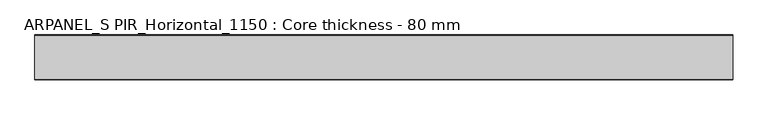
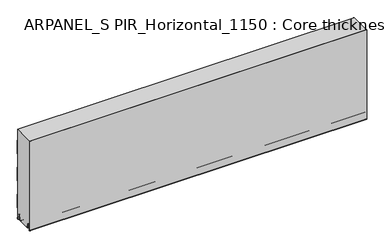
"""IFC4 building model written with IfcOpenShell, lengths in millimetres: plate geometry, ARPANEL_S PIR_Horizontal_1150 : Core thickness - 80 mm."""

from ifc_helpers import new_model, si_unit, frame, origin, place, context, project, spatial, polyline, circle_curve, source, transform, mapped, element, save
from ifc_brep_helpers import plane_surface, cylinder_surface, revolved_surface, advanced_brep


def arpanel_s_pir_horizontal_1150_core_thickness_80_mm_ac162676(model_context):
    return source(origin(), model_context, "Body", "AdvancedBrep", [
        advanced_brep(
        [(620.0, -79.9996949, 3.0900682), (620.0, -73.81449, 2.7875612), (620.0, -72.197116, 19.2828169), (620.0, -69.1776715, 21.9898782), (620.0, -66.1582271, 19.2828169), (620.0, -64.7725998, 5.1510966), (620.0, -60.3830995, 5.365779), (620.0, -61.1830995, 5.365779), (620.0, -63.9764178, 5.2291629), (620.0, -65.3620451, 19.3608832), (620.0, -69.1776715, 22.7899182), (620.0, -72.9932979, 19.3608832), (620.0, -74.6106719, 2.8656275), (620.0, -79.1996949, 3.0900682), (620.0, -79.2, 350.0), (620.0, -79.9996949, 350.0), (-620.0, -79.1996949, 3.0900682), (-620.0, -74.6106719, 2.8656275), (-620.0, -72.9932979, 19.3608832), (-620.0, -69.1776715, 22.7899182), (-620.0, -65.3620451, 19.3608832), (-620.0, -63.9764178, 5.2291629), (-620.0, -61.1830995, 5.365779), (-620.0, -60.3830995, 5.365779), (-620.0, -64.7725998, 5.1510966), (-620.0, -66.1582271, 19.2828169), (-620.0, -69.1776715, 21.9898782), (-620.0, -72.197116, 19.2828169), (-620.0, -73.81449, 2.7875612), (-620.0, -79.9996949, 3.0900682), (-620.0, -79.9996949, 350.0), (-620.0, -79.2, 350.0)],
        [
            (0, 1, circle_curve(frame((620.0, -76.8996949, 3.0900682), z_axis=(1.0, 0.0, 0.0), x_axis=(0.0, 0.0, -1.0)), 3.1)),
            (1, 2),
            (2, 3, circle_curve(frame((620.0, -69.2114338, 18.9900682), z_axis=(-1.0, 0.0, 0.0), x_axis=(0.0, 0.0, -1.0)), 3.0)),
            (3, 4, circle_curve(frame((620.0, -69.1439093, 18.9900682), z_axis=(-1.0, 0.0, 0.0), x_axis=(0.0, 0.0, -1.0)), 3.0)),
            (4, 5),
            (5, 6, circle_curve(frame((620.0, -62.5830995, 5.365779), z_axis=(1.0, 0.0, 0.0), x_axis=(0.0, 0.0, -1.0)), 2.2)),
            (6, 7),
            (7, 8, circle_curve(frame((620.0, -62.5830995, 5.365779), z_axis=(-1.0, 0.0, 0.0), x_axis=(0.0, 0.0, -1.0)), 1.4)),
            (8, 9),
            (9, 10, circle_curve(frame((620.0, -69.1439093, 18.9900682), z_axis=(1.0, 0.0, 0.0), x_axis=(0.0, 0.0, -1.0)), 3.8)),
            (10, 11, circle_curve(frame((620.0, -69.2114338, 18.9900682), z_axis=(1.0, 0.0, 0.0), x_axis=(0.0, 0.0, -1.0)), 3.8)),
            (11, 12),
            (12, 13, circle_curve(frame((620.0, -76.8996949, 3.0900682), z_axis=(-1.0, 0.0, 0.0), x_axis=(0.0, 0.0, -1.0)), 2.3)),
            (13, 14),
            (14, 15),
            (15, 0),
            (16, 17, circle_curve(frame((-620.0, -76.8996949, 3.0900682), z_axis=(1.0, 0.0, 0.0), x_axis=(0.0, 0.0, -1.0)), 2.3)),
            (17, 18),
            (18, 19, circle_curve(frame((-620.0, -69.2114338, 18.9900682), z_axis=(-1.0, 0.0, 0.0), x_axis=(0.0, 0.0, -1.0)), 3.8)),
            (19, 20, circle_curve(frame((-620.0, -69.1439093, 18.9900682), z_axis=(-1.0, 0.0, 0.0), x_axis=(0.0, 0.0, -1.0)), 3.8)),
            (20, 21),
            (21, 22, circle_curve(frame((-620.0, -62.5830995, 5.365779), z_axis=(1.0, 0.0, 0.0), x_axis=(0.0, 0.0, -1.0)), 1.4)),
            (22, 23),
            (23, 24, circle_curve(frame((-620.0, -62.5830995, 5.365779), z_axis=(-1.0, 0.0, 0.0), x_axis=(0.0, 0.0, -1.0)), 2.2)),
            (24, 25),
            (25, 26, circle_curve(frame((-620.0, -69.1439093, 18.9900682), z_axis=(1.0, 0.0, 0.0), x_axis=(0.0, 0.0, -1.0)), 3.0)),
            (26, 27, circle_curve(frame((-620.0, -69.2114338, 18.9900682), z_axis=(1.0, 0.0, 0.0), x_axis=(0.0, 0.0, -1.0)), 3.0)),
            (27, 28),
            (28, 29, circle_curve(frame((-620.0, -76.8996949, 3.0900682), z_axis=(-1.0, 0.0, 0.0), x_axis=(0.0, 0.0, -1.0)), 3.1)),
            (29, 30),
            (30, 31),
            (31, 16),
            (13, 16),
            (31, 14),
            (29, 0),
            (15, 30),
            (12, 17),
            (11, 18),
            (10, 19),
            (9, 20),
            (8, 21),
            (7, 22),
            (6, 23),
            (5, 24),
            (4, 25),
            (3, 26),
            (2, 27),
            (1, 28),
        ],
        [
            plane_surface(frame((620.0, -80.0, 0.0), z_axis=(1.0, 0.0, 0.0), x_axis=(0.0, 1.0, 0.0))),
            plane_surface(frame((-620.0, -80.0, 0.0), z_axis=(-1.0, 0.0, 0.0), x_axis=(0.0, 1.0, 0.0))),
            plane_surface(frame((620.0, -79.2, 3.0900682), z_axis=(0.0, 1.0, 0.0), x_axis=(-1.0, 0.0, 0.0))),
            plane_surface(frame((620.0, -79.9996949, 1143.9000005), z_axis=(0.0, -1.0, 0.0), x_axis=(-1.0, 0.0, 0.0))),
            revolved_surface(polyline([(-620.0, -76.8996949, 0.7900682000000003), (620.0, -76.8996949, 0.7900682000000003)]), (620.0, -76.8996949, 3.0900682), (-1.0, 0.0, 0.0)),
            plane_surface(frame((620.0, -72.9932979, 19.3608832), z_axis=(0.0, -0.9952273999818314, 0.09758289975914787), x_axis=(-1.0, 0.0, 0.0))),
            cylinder_surface(frame((620.0, -69.2114338, 18.9900682), z_axis=(1.0, 0.0, 0.0), x_axis=(0.0, 0.0, -1.0)), 3.8),
            cylinder_surface(frame((620.0, -69.1439093, 18.9900682), z_axis=(1.0, 0.0, 0.0), x_axis=(0.0, 0.0, -1.0)), 3.8),
            plane_surface(frame((620.0, -63.9764178, 5.2291629), z_axis=(0.0, 0.9952273999818297, 0.09758289975916531), x_axis=(-1.0, 0.0, 0.0))),
            revolved_surface(polyline([(-620.0, -62.5830995, 3.965779), (620.0, -62.5830995, 3.965779)]), (620.0, -62.5830995, 5.365779), (-1.0, 0.0, 0.0)),
            plane_surface(frame((620.0, -60.3830995, 5.365779), z_axis=(0.0, 0.0, 1.0), x_axis=(-1.0, 0.0, 0.0))),
            cylinder_surface(frame((620.0, -62.5830995, 5.365779), z_axis=(1.0, 0.0, 0.0), x_axis=(0.0, 0.0, -1.0)), 2.2),
            plane_surface(frame((620.0, -66.1582271, 19.2828169), z_axis=(0.0, -0.9952273999818296, -0.09758289975916527), x_axis=(-1.0, 0.0, 0.0))),
            revolved_surface(polyline([(-620.0, -69.1439093, 15.9900682), (620.0, -69.1439093, 15.9900682)]), (620.0, -69.1439093, 18.9900682), (-1.0, 0.0, 0.0)),
            revolved_surface(polyline([(-620.0, -69.2114338, 15.9900682), (620.0, -69.2114338, 15.9900682)]), (620.0, -69.2114338, 18.9900682), (-1.0, 0.0, 0.0)),
            plane_surface(frame((620.0, -73.81449, 2.7875612), z_axis=(0.0, 0.9952273999818314, -0.09758289975914787), x_axis=(-1.0, 0.0, 0.0))),
            cylinder_surface(frame((620.0, -76.8996949, 3.0900682), z_axis=(1.0, 0.0, 0.0), x_axis=(0.0, 0.0, -1.0)), 3.1),
            plane_surface(frame((-620.0, 134.0533409, 350.0), z_axis=(0.0, 0.0, 1.0), x_axis=(1.0, 0.0, 0.0))),
        ],
        [
            (0, [[1, 2, 3, 4, 5, 6, 7, 8, 9, 10, 11, 12, 13, 14, 15, 16]]),
            (1, [[17, 18, 19, 20, 21, 22, 23, 24, 25, 26, 27, 28, 29, 30, 31, 32]]),
            (2, [[33, -32, 34, -14]]),
            (3, [[35, -16, 36, -30]]),
            (4, [[-13, 37, -17, -33]]),
            (5, [[-12, 38, -18, -37]]),
            (6, [[-11, 39, -19, -38]]),
            (7, [[-10, 40, -20, -39]]),
            (8, [[-9, 41, -21, -40]]),
            (9, [[-8, 42, -22, -41]]),
            (10, [[-7, 43, -23, -42]]),
            (11, [[-6, 44, -24, -43]]),
            (12, [[-5, 45, -25, -44]]),
            (13, [[-4, 46, -26, -45]]),
            (14, [[-3, 47, -27, -46]]),
            (15, [[-2, 48, -28, -47]]),
            (16, [[-1, -35, -29, -48]]),
            (17, [[-15, -34, -31, -36]]),
        ],
    ),
        advanced_brep(
        [(620.0, -0.8, 199.9459237), (620.0, -1.0986697, 200.9973395), (620.0, -1.5003051, 202.4177205), (620.0, -1.5003051, 252.5775037), (620.0, -1.0971009, 253.9969151), (620.0, -0.8, 255.0493005), (620.0, -0.8, 305.2090837), (620.0, -1.0986697, 306.2604995), (620.0, -1.5003051, 307.6808805), (620.0, -1.5003051, 350.0), (620.0, -79.2, 350.0), (620.0, -79.2, 3.0900682), (620.0, -74.6106719, 2.8656275), (620.0, -72.9932979, 19.3608832), (620.0, -69.1776715, 22.7899182), (620.0, -65.3620451, 19.3608832), (620.0, -63.9764178, 5.2291629), (620.0, -61.1830995, 5.365779), (620.0, -60.3830995, 5.365779), (620.0, -60.6102539, 4.3921875), (620.0, -19.3897461, 4.3921875), (620.0, -19.6169005, 5.365779), (620.0, -18.8169005, 5.365779), (620.0, -16.0235822, 5.2291629), (620.0, -14.6379549, 19.3608832), (620.0, -10.8223285, 22.7899182), (620.0, -7.0067021, 19.3608832), (620.0, -5.3893281, 2.8656275), (620.0, -0.8023367, 3.1867178), (620.0, -1.0986697, 4.141484), (620.0, -1.5003051, 5.5618649), (620.0, -1.5003051, 42.0511837), (620.0, -1.0971009, 43.4705951), (620.0, -0.8, 44.5229805), (620.0, -0.8, 94.6827637), (620.0, -1.0986697, 95.7341795), (620.0, -1.5003051, 97.1545605), (620.0, -1.5003051, 147.3143437), (620.0, -1.0971009, 148.7337551), (620.0, -0.8, 149.7861405), (-620.0, -1.0986697, 200.9973395), (-620.0, -0.8, 199.9459237), (-620.0, -0.8, 149.7861405), (-620.0, -1.0986697, 148.7347246), (-620.0, -1.5003051, 147.3143437), (-620.0, -1.5003051, 97.1545605), (-620.0, -1.0971009, 95.7351491), (-620.0, -0.8, 94.6827637), (-620.0, -0.8, 44.5229805), (-620.0, -1.0986697, 43.4715646), (-620.0, -1.5003051, 42.0511837), (-620.0, -1.5003051, 5.5618649), (-620.0, -1.0971009, 4.1424535), (-620.0, -0.8023367, 3.1867178), (-620.0, -5.3893281, 2.8656275), (-620.0, -7.0067021, 19.3608832), (-620.0, -10.8223285, 22.7899182), (-620.0, -14.6379549, 19.3608832), (-620.0, -16.0235822, 5.2291629), (-620.0, -18.4553868, 4.4268721), (-620.0, -18.8169005, 5.365779), (-620.0, -19.6169005, 5.365779), (-620.0, -19.3897461, 4.3921875), (-620.0, -60.6102539, 4.3921875), (-620.0, -60.3830995, 5.365779), (-620.0, -61.1830995, 5.365779), (-620.0, -61.5446132, 4.4268721), (-620.0, -63.9764178, 5.2291629), (-620.0, -65.3620451, 19.3608832), (-620.0, -69.1776715, 22.7899182), (-620.0, -72.9932979, 19.3608832), (-620.0, -74.6106719, 2.8656275), (-620.0, -79.1996949, 3.0900682), (-620.0, -79.2, 350.0), (-620.0, -1.5003051, 350.0), (-620.0, -1.5003051, 307.6808805), (-620.0, -1.0971009, 306.2614691), (-620.0, -0.8, 305.2090837), (-620.0, -0.8, 255.0493005), (-620.0, -1.0986697, 253.9978846), (-620.0, -1.5003051, 252.5775037), (-620.0, -1.5003051, 202.4177205)],
        [
            (0, 1, circle_curve(frame((620.0, -2.8, 199.9459237), z_axis=(1.0, 0.0, 0.0), x_axis=(0.0, 0.0, -1.0)), 2.0)),
            (1, 2, circle_curve(frame((620.0, 1.1996949, 202.4177205), z_axis=(-1.0, 0.0, 0.0), x_axis=(0.0, 0.0, -1.0)), 2.7)),
            (2, 3),
            (3, 4, circle_curve(frame((620.0, 1.1996949, 252.5775037), z_axis=(-1.0, 0.0, 0.0), x_axis=(0.0, 0.0, -1.0)), 2.7)),
            (4, 5, circle_curve(frame((620.0, -2.8, 255.0493005), z_axis=(1.0, 0.0, 0.0), x_axis=(0.0, 0.0, -1.0)), 2.0)),
            (5, 6),
            (6, 7, circle_curve(frame((620.0, -2.8, 305.2090837), z_axis=(1.0, 0.0, 0.0), x_axis=(0.0, 0.0, -1.0)), 2.0)),
            (7, 8, circle_curve(frame((620.0, 1.1996949, 307.6808805), z_axis=(-1.0, 0.0, 0.0), x_axis=(0.0, 0.0, -1.0)), 2.7)),
            (8, 9),
            (9, 10),
            (10, 11),
            (11, 12, circle_curve(frame((620.0, -76.8996949, 3.0900682), z_axis=(1.0, 0.0, 0.0), x_axis=(0.0, 0.0, -1.0)), 2.3)),
            (12, 13),
            (13, 14, circle_curve(frame((620.0, -69.2114338, 18.9900682), z_axis=(-1.0, 0.0, 0.0), x_axis=(0.0, 0.0, -1.0)), 3.8)),
            (14, 15, circle_curve(frame((620.0, -69.1439093, 18.9900682), z_axis=(-1.0, 0.0, 0.0), x_axis=(0.0, 0.0, -1.0)), 3.8)),
            (15, 16),
            (16, 17, circle_curve(frame((620.0, -62.5830995, 5.365779), z_axis=(1.0, 0.0, 0.0), x_axis=(0.0, 0.0, -1.0)), 1.4)),
            (17, 18),
            (18, 19, circle_curve(frame((620.0, -62.5830995, 5.365779), z_axis=(-1.0, 0.0, 0.0), x_axis=(0.0, 0.0, -1.0)), 2.2)),
            (19, 20),
            (20, 21, circle_curve(frame((620.0, -17.4169005, 5.365779), z_axis=(-1.0, 0.0, 0.0), x_axis=(0.0, 0.0, -1.0)), 2.2)),
            (21, 22),
            (22, 23, circle_curve(frame((620.0, -17.4169005, 5.365779), z_axis=(1.0, 0.0, 0.0), x_axis=(0.0, 0.0, -1.0)), 1.4)),
            (23, 24),
            (24, 25, circle_curve(frame((620.0, -10.8560907, 18.9900682), z_axis=(-1.0, 0.0, 0.0), x_axis=(0.0, 0.0, -1.0)), 3.8)),
            (25, 26, circle_curve(frame((620.0, -10.7885662, 18.9900682), z_axis=(-1.0, 0.0, 0.0), x_axis=(0.0, 0.0, -1.0)), 3.8)),
            (26, 27),
            (27, 28, circle_curve(frame((620.0, -3.1003051, 3.0900682), z_axis=(1.0, 0.0, 0.0), x_axis=(0.0, 0.0, -1.0)), 2.3)),
            (28, 29, circle_curve(frame((620.0, -2.8, 3.0900682), z_axis=(1.0, 0.0, 0.0), x_axis=(0.0, 0.0, -1.0)), 2.0)),
            (29, 30, circle_curve(frame((620.0, 1.1996949, 5.5618649), z_axis=(-1.0, 0.0, 0.0), x_axis=(0.0, 0.0, -1.0)), 2.7)),
            (30, 31),
            (31, 32, circle_curve(frame((620.0, 1.1996949, 42.0511837), z_axis=(-1.0, 0.0, 0.0), x_axis=(0.0, 0.0, -1.0)), 2.7)),
            (32, 33, circle_curve(frame((620.0, -2.8, 44.5229805), z_axis=(1.0, 0.0, 0.0), x_axis=(0.0, 0.0, -1.0)), 2.0)),
            (33, 34),
            (34, 35, circle_curve(frame((620.0, -2.8, 94.6827637), z_axis=(1.0, 0.0, 0.0), x_axis=(0.0, 0.0, -1.0)), 2.0)),
            (35, 36, circle_curve(frame((620.0, 1.1996949, 97.1545605), z_axis=(-1.0, 0.0, 0.0), x_axis=(0.0, 0.0, -1.0)), 2.7)),
            (36, 37),
            (37, 38, circle_curve(frame((620.0, 1.1996949, 147.3143437), z_axis=(-1.0, 0.0, 0.0), x_axis=(0.0, 0.0, -1.0)), 2.7)),
            (38, 39, circle_curve(frame((620.0, -2.8, 149.7861405), z_axis=(1.0, 0.0, 0.0), x_axis=(0.0, 0.0, -1.0)), 2.0)),
            (39, 0),
            (40, 41, circle_curve(frame((-620.0, -2.8, 199.9459237), z_axis=(-1.0, 0.0, 0.0), x_axis=(0.0, 0.0, -1.0)), 2.0)),
            (41, 42),
            (42, 43, circle_curve(frame((-620.0, -2.8, 149.7861405), z_axis=(-1.0, 0.0, 0.0), x_axis=(0.0, 0.0, -1.0)), 2.0)),
            (43, 44, circle_curve(frame((-620.0, 1.1996949, 147.3143437), z_axis=(1.0, 0.0, 0.0), x_axis=(0.0, 0.0, -1.0)), 2.7)),
            (44, 45),
            (45, 46, circle_curve(frame((-620.0, 1.1996949, 97.1545605), z_axis=(1.0, 0.0, 0.0), x_axis=(0.0, 0.0, -1.0)), 2.7)),
            (46, 47, circle_curve(frame((-620.0, -2.8, 94.6827637), z_axis=(-1.0, 0.0, 0.0), x_axis=(0.0, 0.0, -1.0)), 2.0)),
            (47, 48),
            (48, 49, circle_curve(frame((-620.0, -2.8, 44.5229805), z_axis=(-1.0, 0.0, 0.0), x_axis=(0.0, 0.0, -1.0)), 2.0)),
            (49, 50, circle_curve(frame((-620.0, 1.1996949, 42.0511837), z_axis=(1.0, 0.0, 0.0), x_axis=(0.0, 0.0, -1.0)), 2.7)),
            (50, 51),
            (51, 52, circle_curve(frame((-620.0, 1.1996949, 5.5618649), z_axis=(1.0, 0.0, 0.0), x_axis=(0.0, 0.0, -1.0)), 2.7)),
            (52, 53, circle_curve(frame((-620.0, -2.8, 3.0900682), z_axis=(-1.0, 0.0, 0.0), x_axis=(0.0, 0.0, -1.0)), 2.0)),
            (53, 54, circle_curve(frame((-620.0, -3.1003051, 3.0900682), z_axis=(-1.0, 0.0, 0.0), x_axis=(0.0, 0.0, -1.0)), 2.3)),
            (54, 55),
            (55, 56, circle_curve(frame((-620.0, -10.7885662, 18.9900682), z_axis=(1.0, 0.0, 0.0), x_axis=(0.0, 0.0, -1.0)), 3.8)),
            (56, 57, circle_curve(frame((-620.0, -10.8560907, 18.9900682), z_axis=(1.0, 0.0, 0.0), x_axis=(0.0, 0.0, -1.0)), 3.8)),
            (57, 58),
            (58, 59, circle_curve(frame((-620.0, -17.4169005, 5.365779), z_axis=(-1.0, 0.0, 0.0), x_axis=(0.0, 0.0, -1.0)), 1.4)),
            (59, 60, circle_curve(frame((-620.0, -17.4169005, 5.365779), z_axis=(-1.0, 0.0, 0.0), x_axis=(0.0, 0.0, -1.0)), 1.4)),
            (60, 61),
            (61, 62, circle_curve(frame((-620.0, -17.4169005, 5.365779), z_axis=(1.0, 0.0, 0.0), x_axis=(0.0, 0.0, -1.0)), 2.2)),
            (62, 63),
            (63, 64, circle_curve(frame((-620.0, -62.5830995, 5.365779), z_axis=(1.0, 0.0, 0.0), x_axis=(0.0, 0.0, -1.0)), 2.2)),
            (64, 65),
            (65, 66, circle_curve(frame((-620.0, -62.5830995, 5.365779), z_axis=(-1.0, 0.0, 0.0), x_axis=(0.0, 0.0, -1.0)), 1.4)),
            (66, 67, circle_curve(frame((-620.0, -62.5830995, 5.365779), z_axis=(-1.0, 0.0, 0.0), x_axis=(0.0, 0.0, -1.0)), 1.4)),
            (67, 68),
            (68, 69, circle_curve(frame((-620.0, -69.1439093, 18.9900682), z_axis=(1.0, 0.0, 0.0), x_axis=(0.0, 0.0, -1.0)), 3.8)),
            (69, 70, circle_curve(frame((-620.0, -69.2114338, 18.9900682), z_axis=(1.0, 0.0, 0.0), x_axis=(0.0, 0.0, -1.0)), 3.8)),
            (70, 71),
            (71, 72, circle_curve(frame((-620.0, -76.8996949, 3.0900682), z_axis=(-1.0, 0.0, 0.0), x_axis=(0.0, 0.0, -1.0)), 2.3)),
            (72, 73),
            (73, 74),
            (74, 75),
            (75, 76, circle_curve(frame((-620.0, 1.1996949, 307.6808805), z_axis=(1.0, 0.0, 0.0), x_axis=(0.0, 0.0, -1.0)), 2.7)),
            (76, 77, circle_curve(frame((-620.0, -2.8, 305.2090837), z_axis=(-1.0, 0.0, 0.0), x_axis=(0.0, 0.0, -1.0)), 2.0)),
            (77, 78),
            (78, 79, circle_curve(frame((-620.0, -2.8, 255.0493005), z_axis=(-1.0, 0.0, 0.0), x_axis=(0.0, 0.0, -1.0)), 2.0)),
            (79, 80, circle_curve(frame((-620.0, 1.1996949, 252.5775037), z_axis=(1.0, 0.0, 0.0), x_axis=(0.0, 0.0, -1.0)), 2.7)),
            (80, 81),
            (81, 40, circle_curve(frame((-620.0, 1.1996949, 202.4177205), z_axis=(1.0, 0.0, 0.0), x_axis=(0.0, 0.0, -1.0)), 2.7)),
            (40, 1),
            (0, 41),
            (81, 2),
            (80, 3),
            (79, 4),
            (78, 5),
            (77, 6),
            (76, 7),
            (75, 8),
            (74, 9),
            (72, 11),
            (10, 73),
            (46, 35),
            (34, 47),
            (45, 36),
            (44, 37),
            (43, 38),
            (42, 39),
            (71, 12),
            (18, 64),
            (63, 19),
            (61, 21),
            (20, 62),
            (60, 22),
            (58, 23),
            (57, 24),
            (56, 25),
            (55, 26),
            (54, 27),
            (53, 28),
            (52, 29),
            (51, 30),
            (50, 31),
            (49, 32),
            (48, 33),
            (70, 13),
            (69, 14),
            (68, 15),
            (67, 16),
            (65, 17),
        ],
        [
            plane_surface(frame((620.0, 0.0, 0.0), z_axis=(1.0, 0.0, 0.0), x_axis=(0.0, -1.0, 0.0))),
            plane_surface(frame((-620.0, 0.0, 0.0), z_axis=(-1.0, 0.0, 0.0), x_axis=(0.0, -1.0, 0.0))),
            cylinder_surface(frame((750.0, -2.8, 199.9459237), z_axis=(-1.0, 0.0, 0.0), x_axis=(0.0, 0.0, -1.0)), 2.0),
            revolved_surface(polyline([(620.0, 1.1996949, 199.7177205), (-620.0, 1.1996949, 199.7177205)]), (750.0, 1.1996949, 202.4177205), (1.0, 0.0, 0.0)),
            plane_surface(frame((750.0, -1.5003051, 252.5775037), z_axis=(0.0, 1.0, 0.0), x_axis=(-1.0, 0.0, 0.0))),
            revolved_surface(polyline([(620.0, 1.1996949, 249.8775037), (-620.0, 1.1996949, 249.8775037)]), (750.0, 1.1996949, 252.5775037), (1.0, 0.0, 0.0)),
            cylinder_surface(frame((750.0, -2.8, 255.0493005), z_axis=(-1.0, 0.0, 0.0), x_axis=(0.0, 0.0, -1.0)), 2.0),
            plane_surface(frame((750.0, -0.8, 305.2090837), z_axis=(0.0, 1.0, 0.0), x_axis=(-1.0, 0.0, 0.0))),
            cylinder_surface(frame((750.0, -2.8, 305.2090837), z_axis=(-1.0, 0.0, 0.0), x_axis=(0.0, 0.0, -1.0)), 2.0),
            revolved_surface(polyline([(620.0, 1.1996949, 304.9808805), (-620.0, 1.1996949, 304.9808805)]), (750.0, 1.1996949, 307.6808805), (1.0, 0.0, 0.0)),
            plane_surface(frame((750.0, -1.5003051, 357.8406637), z_axis=(0.0, 1.0, 0.0), x_axis=(-1.0, 0.0, 0.0))),
            plane_surface(frame((750.0, -79.2, 3.0900682), z_axis=(0.0, -1.0, 0.0), x_axis=(-1.0, 0.0, 0.0))),
            cylinder_surface(frame((750.0, -2.8, 94.6827637), z_axis=(-1.0, 0.0, 0.0), x_axis=(0.0, 0.0, -1.0)), 2.0),
            revolved_surface(polyline([(620.0, 1.1996949, 94.4545605), (-620.0, 1.1996949, 94.4545605)]), (750.0, 1.1996949, 97.1545605), (1.0, 0.0, 0.0)),
            plane_surface(frame((750.0, -1.5003051, 147.3143437), z_axis=(0.0, 1.0, 0.0), x_axis=(-1.0, 0.0, 0.0))),
            revolved_surface(polyline([(620.0, 1.1996949, 144.6143437), (-620.0, 1.1996949, 144.6143437)]), (750.0, 1.1996949, 147.3143437), (1.0, 0.0, 0.0)),
            cylinder_surface(frame((750.0, -2.8, 149.7861405), z_axis=(-1.0, 0.0, 0.0), x_axis=(0.0, 0.0, -1.0)), 2.0),
            plane_surface(frame((750.0, -0.8, 199.9459237), z_axis=(0.0, 1.0, 0.0), x_axis=(-1.0, 0.0, 0.0))),
            cylinder_surface(frame((750.0, -76.8996949, 3.0900682), z_axis=(-1.0, 0.0, 0.0), x_axis=(0.0, 0.0, -1.0)), 2.3),
            revolved_surface(polyline([(620.0, -62.5830995, 3.1657789999999997), (-620.0, -62.5830995, 3.1657789999999997)]), (750.0, -62.5830995, 5.365779), (1.0, 0.0, 0.0)),
            revolved_surface(polyline([(620.0, -17.4169005, 3.1657789999999997), (-620.0, -17.4169005, 3.1657789999999997)]), (750.0, -17.4169005, 5.365779), (1.0, 0.0, 0.0)),
            plane_surface(frame((750.0, -18.8169005, 5.365779), z_axis=(0.0, 0.0, -1.0), x_axis=(-1.0, 0.0, 0.0))),
            cylinder_surface(frame((750.0, -17.4169005, 5.365779), z_axis=(-1.0, 0.0, 0.0), x_axis=(0.0, 0.0, -1.0)), 1.4),
            plane_surface(frame((750.0, -14.6379549, 19.3608832), z_axis=(0.0, 0.9952273999818297, -0.09758289975916531), x_axis=(-1.0, 0.0, 0.0))),
            revolved_surface(polyline([(620.0, -10.8560907, 15.190068199999999), (-620.0, -10.8560907, 15.190068199999999)]), (750.0, -10.8560907, 18.9900682), (1.0, 0.0, 0.0)),
            revolved_surface(polyline([(620.0, -10.7885662, 15.190068199999999), (-620.0, -10.7885662, 15.190068199999999)]), (750.0, -10.7885662, 18.9900682), (1.0, 0.0, 0.0)),
            plane_surface(frame((750.0, -5.3893281, 2.8656275), z_axis=(0.0, -0.9952273999818314, -0.09758289975914787), x_axis=(-1.0, 0.0, 0.0))),
            cylinder_surface(frame((750.0, -3.1003051, 3.0900682), z_axis=(-1.0, 0.0, 0.0), x_axis=(0.0, 0.0, -1.0)), 2.3),
            cylinder_surface(frame((750.0, -2.8, 3.0900682), z_axis=(-1.0, 0.0, 0.0), x_axis=(0.0, 0.0, -1.0)), 2.0),
            revolved_surface(polyline([(620.0, 1.1996949, 2.8618648999999996), (-620.0, 1.1996949, 2.8618648999999996)]), (750.0, 1.1996949, 5.5618649), (1.0, 0.0, 0.0)),
            plane_surface(frame((750.0, -1.5003051, 42.0511837), z_axis=(0.0, 1.0, 0.0), x_axis=(-1.0, 0.0, 0.0))),
            revolved_surface(polyline([(620.0, 1.1996949, 39.3511837), (-620.0, 1.1996949, 39.3511837)]), (750.0, 1.1996949, 42.0511837), (1.0, 0.0, 0.0)),
            cylinder_surface(frame((750.0, -2.8, 44.5229805), z_axis=(-1.0, 0.0, 0.0), x_axis=(0.0, 0.0, -1.0)), 2.0),
            plane_surface(frame((750.0, -0.8, 94.6827637), z_axis=(0.0, 1.0, 0.0), x_axis=(-1.0, 0.0, 0.0))),
            plane_surface(frame((750.0, -72.9932979, 19.3608832), z_axis=(0.0, 0.9952273999818314, -0.09758289975914787), x_axis=(-1.0, 0.0, 0.0))),
            revolved_surface(polyline([(620.0, -69.2114338, 15.190068199999999), (-620.0, -69.2114338, 15.190068199999999)]), (750.0, -69.2114338, 18.9900682), (1.0, 0.0, 0.0)),
            revolved_surface(polyline([(620.0, -69.1439093, 15.190068199999999), (-620.0, -69.1439093, 15.190068199999999)]), (750.0, -69.1439093, 18.9900682), (1.0, 0.0, 0.0)),
            plane_surface(frame((750.0, -63.9764178, 5.2291629), z_axis=(0.0, -0.9952273999818297, -0.09758289975916531), x_axis=(-1.0, 0.0, 0.0))),
            cylinder_surface(frame((750.0, -62.5830995, 5.365779), z_axis=(-1.0, 0.0, 0.0), x_axis=(0.0, 0.0, -1.0)), 1.4),
            plane_surface(frame((750.0, -60.3830995, 5.365779), z_axis=(0.0, 0.0, -1.0), x_axis=(-1.0, 0.0, 0.0))),
            plane_surface(frame((620.0, -61.50625, 4.3921875), z_axis=(0.0, 0.0, -1.0), x_axis=(-1.0, 0.0, 0.0))),
            plane_surface(frame((-620.0, 134.0533409, 350.0), z_axis=(0.0, 0.0, 1.0), x_axis=(1.0, 0.0, 0.0))),
        ],
        [
            (0, [[1, 2, 3, 4, 5, 6, 7, 8, 9, 10, 11, 12, 13, 14, 15, 16, 17, 18, 19, 20, 21, 22, 23, 24, 25, 26, 27, 28, 29, 30, 31, 32, 33, 34, 35, 36, 37, 38, 39, 40]]),
            (1, [[41, 42, 43, 44, 45, 46, 47, 48, 49, 50, 51, 52, 53, 54, 55, 56, 57, 58, 59, 60, 61, 62, 63, 64, 65, 66, 67, 68, 69, 70, 71, 72, 73, 74, 75, 76, 77, 78, 79, 80, 81, 82]]),
            (2, [[83, -1, 84, -41]]),
            (3, [[-83, -82, 85, -2]]),
            (4, [[-85, -81, 86, -3]]),
            (5, [[-86, -80, 87, -4]]),
            (6, [[-87, -79, 88, -5]]),
            (7, [[-88, -78, 89, -6]]),
            (8, [[-89, -77, 90, -7]]),
            (9, [[-90, -76, 91, -8]]),
            (10, [[-91, -75, 92, -9]]),
            (11, [[93, -11, 94, -73]]),
            (12, [[95, -35, 96, -47]]),
            (13, [[-95, -46, 97, -36]]),
            (14, [[-97, -45, 98, -37]]),
            (15, [[-98, -44, 99, -38]]),
            (16, [[-99, -43, 100, -39]]),
            (17, [[-100, -42, -84, -40]]),
            (18, [[-93, -72, 101, -12]]),
            (19, [[102, -64, 103, -19]]),
            (20, [[104, -21, 105, -62]]),
            (21, [[-104, -61, 106, -22]]),
            (22, [[-106, -60, -59, 107, -23]]),
            (23, [[-107, -58, 108, -24]]),
            (24, [[-108, -57, 109, -25]]),
            (25, [[-109, -56, 110, -26]]),
            (26, [[-110, -55, 111, -27]]),
            (27, [[-111, -54, 112, -28]]),
            (28, [[-112, -53, 113, -29]]),
            (29, [[-113, -52, 114, -30]]),
            (30, [[-114, -51, 115, -31]]),
            (31, [[-115, -50, 116, -32]]),
            (32, [[-116, -49, 117, -33]]),
            (33, [[-117, -48, -96, -34]]),
            (34, [[-101, -71, 118, -13]]),
            (35, [[-118, -70, 119, -14]]),
            (36, [[-119, -69, 120, -15]]),
            (37, [[-120, -68, 121, -16]]),
            (38, [[-121, -67, -66, 122, -17]]),
            (39, [[-122, -65, -102, -18]]),
            (40, [[-105, -20, -103, -63]]),
            (41, [[-92, -74, -94, -10]]),
        ],
    ),
        advanced_brep(
        [(-620.0, -0.7003051, 307.6808805), (-620.0, -0.4016712, 306.6295226), (-620.0, -0.0003051, 305.2090837), (-620.0, -0.0003051, 255.0493005), (-620.0, -0.4034608, 253.6299674), (-620.0, -0.7003051, 252.5775037), (-620.0, -0.7003051, 202.4177205), (-620.0, -0.4016712, 201.3663626), (-620.0, -0.0003051, 199.9459237), (-620.0, -0.0003051, 149.7861405), (-620.0, -0.4034608, 148.3668074), (-620.0, -0.7003051, 147.3143437), (-620.0, -0.7003051, 97.1545605), (-620.0, -0.4016712, 96.1032026), (-620.0, -0.0003051, 94.6827637), (-620.0, -0.0003051, 44.5229805), (-620.0, -0.4034608, 43.1036474), (-620.0, -0.7003051, 42.0511837), (-620.0, -0.7003051, 5.5618649), (-620.0, -0.4016712, 4.5105071), (-620.0, -0.0003051, 3.0900682), (-620.0, -6.18551, 2.7875612), (-620.0, -7.802884, 19.2828169), (-620.0, -10.8223285, 21.9898782), (-620.0, -13.8417729, 19.2828169), (-620.0, -15.2274002, 5.1510966), (-620.0, -19.6169005, 5.365779), (-620.0, -18.8169005, 5.365779), (-620.0, -16.0235822, 5.2291629), (-620.0, -14.6379549, 19.3608832), (-620.0, -10.8223285, 22.7899182), (-620.0, -7.0067021, 19.3608832), (-620.0, -5.3893281, 2.8656275), (-620.0, -0.8023367, 3.1867178), (-620.0, -1.0986697, 4.141484), (-620.0, -1.5003051, 5.5618649), (-620.0, -1.5003051, 42.0511837), (-620.0, -1.0971009, 43.4705951), (-620.0, -0.8, 44.5229805), (-620.0, -0.8, 94.6827637), (-620.0, -1.0986697, 95.7341795), (-620.0, -1.5003051, 97.1545605), (-620.0, -1.5003051, 147.3143437), (-620.0, -1.0971009, 148.7337551), (-620.0, -0.8, 149.7861405), (-620.0, -0.8, 199.9459237), (-620.0, -1.0986697, 200.9973395), (-620.0, -1.5003051, 202.4177205), (-620.0, -1.5003051, 252.5775037), (-620.0, -1.0971009, 253.9969151), (-620.0, -0.8, 255.0493005), (-620.0, -0.8, 305.2090837), (-620.0, -1.0986697, 306.2604995), (-620.0, -1.5003051, 307.6808805), (-620.0, -1.5003051, 350.0), (-620.0, -0.7003051, 350.0), (620.0, -1.5003051, 307.6808805), (620.0, -1.0971009, 306.2614691), (620.0, -0.8, 305.2090837), (620.0, -0.8, 255.0493005), (620.0, -1.0986697, 253.9978846), (620.0, -1.5003051, 252.5775037), (620.0, -1.5003051, 202.4177205), (620.0, -1.0971009, 200.9983091), (620.0, -0.8, 199.9459237), (620.0, -0.8, 149.7861405), (620.0, -1.0986697, 148.7347246), (620.0, -1.5003051, 147.3143437), (620.0, -1.5003051, 97.1545605), (620.0, -1.0971009, 95.7351491), (620.0, -0.8, 94.6827637), (620.0, -0.8, 44.5229805), (620.0, -1.0986697, 43.4715646), (620.0, -1.5003051, 42.0511837), (620.0, -1.5003051, 5.5618649), (620.0, -1.0971009, 4.1424535), (620.0, -0.8023367, 3.1867178), (620.0, -5.3893281, 2.8656275), (620.0, -7.0067021, 19.3608832), (620.0, -10.8223285, 22.7899182), (620.0, -14.6379549, 19.3608832), (620.0, -16.0235822, 5.2291629), (620.0, -18.8169005, 5.365779), (620.0, -19.6169005, 5.365779), (620.0, -15.2274002, 5.1510966), (620.0, -13.8417729, 19.2828169), (620.0, -10.8223285, 21.9898782), (620.0, -7.802884, 19.2828169), (620.0, -6.18551, 2.7875612), (620.0, -0.0003051, 3.0900682), (620.0, -0.4034608, 4.5094012), (620.0, -0.7003051, 5.5618649), (620.0, -0.7003051, 42.0511837), (620.0, -0.4016712, 43.1025415), (620.0, -0.0003051, 44.5229805), (620.0, -0.0003051, 94.6827637), (620.0, -0.4034608, 96.1020968), (620.0, -0.7003051, 97.1545605), (620.0, -0.7003051, 147.3143437), (620.0, -0.4016712, 148.3657015), (620.0, -0.0003051, 149.7861405), (620.0, -0.0003051, 199.9459237), (620.0, -0.4034608, 201.3652568), (620.0, -0.7003051, 202.4177205), (620.0, -0.7003051, 252.5775037), (620.0, -0.4016712, 253.6288615), (620.0, -0.0003051, 255.0493005), (620.0, -0.0003051, 305.2090837), (620.0, -0.4034608, 306.6284168), (620.0, -0.7003051, 307.6808805), (620.0, -0.7003051, 350.0), (620.0, -1.5003051, 350.0)],
        [
            (0, 1, circle_curve(frame((-620.0, 1.2996949, 307.6808805), z_axis=(1.0, 0.0, 0.0), x_axis=(0.0, 0.0, -1.0)), 2.0)),
            (1, 2, circle_curve(frame((-620.0, -2.7003051, 305.2090837), z_axis=(-1.0, 0.0, 0.0), x_axis=(0.0, 0.0, -1.0)), 2.7)),
            (2, 3),
            (3, 4, circle_curve(frame((-620.0, -2.7003051, 255.0493005), z_axis=(-1.0, 0.0, 0.0), x_axis=(0.0, 0.0, -1.0)), 2.7)),
            (4, 5, circle_curve(frame((-620.0, 1.2996949, 252.5775037), z_axis=(1.0, 0.0, 0.0), x_axis=(0.0, 0.0, -1.0)), 2.0)),
            (5, 6),
            (6, 7, circle_curve(frame((-620.0, 1.2996949, 202.4177205), z_axis=(1.0, 0.0, 0.0), x_axis=(0.0, 0.0, -1.0)), 2.0)),
            (7, 8, circle_curve(frame((-620.0, -2.7003051, 199.9459237), z_axis=(-1.0, 0.0, 0.0), x_axis=(0.0, 0.0, -1.0)), 2.7)),
            (8, 9),
            (9, 10, circle_curve(frame((-620.0, -2.7003051, 149.7861405), z_axis=(-1.0, 0.0, 0.0), x_axis=(0.0, 0.0, -1.0)), 2.7)),
            (10, 11, circle_curve(frame((-620.0, 1.2996949, 147.3143437), z_axis=(1.0, 0.0, 0.0), x_axis=(0.0, 0.0, -1.0)), 2.0)),
            (11, 12),
            (12, 13, circle_curve(frame((-620.0, 1.2996949, 97.1545605), z_axis=(1.0, 0.0, 0.0), x_axis=(0.0, 0.0, -1.0)), 2.0)),
            (13, 14, circle_curve(frame((-620.0, -2.7003051, 94.6827637), z_axis=(-1.0, 0.0, 0.0), x_axis=(0.0, 0.0, -1.0)), 2.7)),
            (14, 15),
            (15, 16, circle_curve(frame((-620.0, -2.7003051, 44.5229805), z_axis=(-1.0, 0.0, 0.0), x_axis=(0.0, 0.0, -1.0)), 2.7)),
            (16, 17, circle_curve(frame((-620.0, 1.2996949, 42.0511837), z_axis=(1.0, 0.0, 0.0), x_axis=(0.0, 0.0, -1.0)), 2.0)),
            (17, 18),
            (18, 19, circle_curve(frame((-620.0, 1.2996949, 5.5618649), z_axis=(1.0, 0.0, 0.0), x_axis=(0.0, 0.0, -1.0)), 2.0)),
            (19, 20, circle_curve(frame((-620.0, -2.7003051, 3.0900682), z_axis=(-1.0, 0.0, 0.0), x_axis=(0.0, 0.0, -1.0)), 2.7)),
            (20, 21, circle_curve(frame((-620.0, -3.1003051, 3.0900682), z_axis=(-1.0, 0.0, 0.0), x_axis=(0.0, 0.0, -1.0)), 3.1)),
            (21, 22),
            (22, 23, circle_curve(frame((-620.0, -10.7885662, 18.9900682), z_axis=(1.0, 0.0, 0.0), x_axis=(0.0, 0.0, -1.0)), 3.0)),
            (23, 24, circle_curve(frame((-620.0, -10.8560907, 18.9900682), z_axis=(1.0, 0.0, 0.0), x_axis=(0.0, 0.0, -1.0)), 3.0)),
            (24, 25),
            (25, 26, circle_curve(frame((-620.0, -17.4169005, 5.365779), z_axis=(-1.0, 0.0, 0.0), x_axis=(0.0, 0.0, -1.0)), 2.2)),
            (26, 27),
            (27, 28, circle_curve(frame((-620.0, -17.4169005, 5.365779), z_axis=(1.0, 0.0, 0.0), x_axis=(0.0, 0.0, -1.0)), 1.4)),
            (28, 29),
            (29, 30, circle_curve(frame((-620.0, -10.8560907, 18.9900682), z_axis=(-1.0, 0.0, 0.0), x_axis=(0.0, 0.0, -1.0)), 3.8)),
            (30, 31, circle_curve(frame((-620.0, -10.7885662, 18.9900682), z_axis=(-1.0, 0.0, 0.0), x_axis=(0.0, 0.0, -1.0)), 3.8)),
            (31, 32),
            (32, 33, circle_curve(frame((-620.0, -3.1003051, 3.0900682), z_axis=(1.0, 0.0, 0.0), x_axis=(0.0, 0.0, -1.0)), 2.3)),
            (33, 34, circle_curve(frame((-620.0, -2.8, 3.0900682), z_axis=(1.0, 0.0, 0.0), x_axis=(0.0, 0.0, -1.0)), 2.0)),
            (34, 35, circle_curve(frame((-620.0, 1.1996949, 5.5618649), z_axis=(-1.0, 0.0, 0.0), x_axis=(0.0, 0.0, -1.0)), 2.7)),
            (35, 36),
            (36, 37, circle_curve(frame((-620.0, 1.1996949, 42.0511837), z_axis=(-1.0, 0.0, 0.0), x_axis=(0.0, 0.0, -1.0)), 2.7)),
            (37, 38, circle_curve(frame((-620.0, -2.8, 44.5229805), z_axis=(1.0, 0.0, 0.0), x_axis=(0.0, 0.0, -1.0)), 2.0)),
            (38, 39),
            (39, 40, circle_curve(frame((-620.0, -2.8, 94.6827637), z_axis=(1.0, 0.0, 0.0), x_axis=(0.0, 0.0, -1.0)), 2.0)),
            (40, 41, circle_curve(frame((-620.0, 1.1996949, 97.1545605), z_axis=(-1.0, 0.0, 0.0), x_axis=(0.0, 0.0, -1.0)), 2.7)),
            (41, 42),
            (42, 43, circle_curve(frame((-620.0, 1.1996949, 147.3143437), z_axis=(-1.0, 0.0, 0.0), x_axis=(0.0, 0.0, -1.0)), 2.7)),
            (43, 44, circle_curve(frame((-620.0, -2.8, 149.7861405), z_axis=(1.0, 0.0, 0.0), x_axis=(0.0, 0.0, -1.0)), 2.0)),
            (44, 45),
            (45, 46, circle_curve(frame((-620.0, -2.8, 199.9459237), z_axis=(1.0, 0.0, 0.0), x_axis=(0.0, 0.0, -1.0)), 2.0)),
            (46, 47, circle_curve(frame((-620.0, 1.1996949, 202.4177205), z_axis=(-1.0, 0.0, 0.0), x_axis=(0.0, 0.0, -1.0)), 2.7)),
            (47, 48),
            (48, 49, circle_curve(frame((-620.0, 1.1996949, 252.5775037), z_axis=(-1.0, 0.0, 0.0), x_axis=(0.0, 0.0, -1.0)), 2.7)),
            (49, 50, circle_curve(frame((-620.0, -2.8, 255.0493005), z_axis=(1.0, 0.0, 0.0), x_axis=(0.0, 0.0, -1.0)), 2.0)),
            (50, 51),
            (51, 52, circle_curve(frame((-620.0, -2.8, 305.2090837), z_axis=(1.0, 0.0, 0.0), x_axis=(0.0, 0.0, -1.0)), 2.0)),
            (52, 53, circle_curve(frame((-620.0, 1.1996949, 307.6808805), z_axis=(-1.0, 0.0, 0.0), x_axis=(0.0, 0.0, -1.0)), 2.7)),
            (53, 54),
            (54, 55),
            (55, 0),
            (56, 57, circle_curve(frame((620.0, 1.1996949, 307.6808805), z_axis=(1.0, 0.0, 0.0), x_axis=(0.0, 0.0, -1.0)), 2.7)),
            (57, 58, circle_curve(frame((620.0, -2.8, 305.2090837), z_axis=(-1.0, 0.0, 0.0), x_axis=(0.0, 0.0, -1.0)), 2.0)),
            (58, 59),
            (59, 60, circle_curve(frame((620.0, -2.8, 255.0493005), z_axis=(-1.0, 0.0, 0.0), x_axis=(0.0, 0.0, -1.0)), 2.0)),
            (60, 61, circle_curve(frame((620.0, 1.1996949, 252.5775037), z_axis=(1.0, 0.0, 0.0), x_axis=(0.0, 0.0, -1.0)), 2.7)),
            (61, 62),
            (62, 63, circle_curve(frame((620.0, 1.1996949, 202.4177205), z_axis=(1.0, 0.0, 0.0), x_axis=(0.0, 0.0, -1.0)), 2.7)),
            (63, 64, circle_curve(frame((620.0, -2.8, 199.9459237), z_axis=(-1.0, 0.0, 0.0), x_axis=(0.0, 0.0, -1.0)), 2.0)),
            (64, 65),
            (65, 66, circle_curve(frame((620.0, -2.8, 149.7861405), z_axis=(-1.0, 0.0, 0.0), x_axis=(0.0, 0.0, -1.0)), 2.0)),
            (66, 67, circle_curve(frame((620.0, 1.1996949, 147.3143437), z_axis=(1.0, 0.0, 0.0), x_axis=(0.0, 0.0, -1.0)), 2.7)),
            (67, 68),
            (68, 69, circle_curve(frame((620.0, 1.1996949, 97.1545605), z_axis=(1.0, 0.0, 0.0), x_axis=(0.0, 0.0, -1.0)), 2.7)),
            (69, 70, circle_curve(frame((620.0, -2.8, 94.6827637), z_axis=(-1.0, 0.0, 0.0), x_axis=(0.0, 0.0, -1.0)), 2.0)),
            (70, 71),
            (71, 72, circle_curve(frame((620.0, -2.8, 44.5229805), z_axis=(-1.0, 0.0, 0.0), x_axis=(0.0, 0.0, -1.0)), 2.0)),
            (72, 73, circle_curve(frame((620.0, 1.1996949, 42.0511837), z_axis=(1.0, 0.0, 0.0), x_axis=(0.0, 0.0, -1.0)), 2.7)),
            (73, 74),
            (74, 75, circle_curve(frame((620.0, 1.1996949, 5.5618649), z_axis=(1.0, 0.0, 0.0), x_axis=(0.0, 0.0, -1.0)), 2.7)),
            (75, 76, circle_curve(frame((620.0, -2.8, 3.0900682), z_axis=(-1.0, 0.0, 0.0), x_axis=(0.0, 0.0, -1.0)), 2.0)),
            (76, 77, circle_curve(frame((620.0, -3.1003051, 3.0900682), z_axis=(-1.0, 0.0, 0.0), x_axis=(0.0, 0.0, -1.0)), 2.3)),
            (77, 78),
            (78, 79, circle_curve(frame((620.0, -10.7885662, 18.9900682), z_axis=(1.0, 0.0, 0.0), x_axis=(0.0, 0.0, -1.0)), 3.8)),
            (79, 80, circle_curve(frame((620.0, -10.8560907, 18.9900682), z_axis=(1.0, 0.0, 0.0), x_axis=(0.0, 0.0, -1.0)), 3.8)),
            (80, 81),
            (81, 82, circle_curve(frame((620.0, -17.4169005, 5.365779), z_axis=(-1.0, 0.0, 0.0), x_axis=(0.0, 0.0, -1.0)), 1.4)),
            (82, 83),
            (83, 84, circle_curve(frame((620.0, -17.4169005, 5.365779), z_axis=(1.0, 0.0, 0.0), x_axis=(0.0, 0.0, -1.0)), 2.2)),
            (84, 85),
            (85, 86, circle_curve(frame((620.0, -10.8560907, 18.9900682), z_axis=(-1.0, 0.0, 0.0), x_axis=(0.0, 0.0, -1.0)), 3.0)),
            (86, 87, circle_curve(frame((620.0, -10.7885662, 18.9900682), z_axis=(-1.0, 0.0, 0.0), x_axis=(0.0, 0.0, -1.0)), 3.0)),
            (87, 88),
            (88, 89, circle_curve(frame((620.0, -3.1003051, 3.0900682), z_axis=(1.0, 0.0, 0.0), x_axis=(0.0, 0.0, -1.0)), 3.1)),
            (89, 90, circle_curve(frame((620.0, -2.7003051, 3.0900682), z_axis=(1.0, 0.0, 0.0), x_axis=(0.0, 0.0, -1.0)), 2.7)),
            (90, 91, circle_curve(frame((620.0, 1.2996949, 5.5618649), z_axis=(-1.0, 0.0, 0.0), x_axis=(0.0, 0.0, -1.0)), 2.0)),
            (91, 92),
            (92, 93, circle_curve(frame((620.0, 1.2996949, 42.0511837), z_axis=(-1.0, 0.0, 0.0), x_axis=(0.0, 0.0, -1.0)), 2.0)),
            (93, 94, circle_curve(frame((620.0, -2.7003051, 44.5229805), z_axis=(1.0, 0.0, 0.0), x_axis=(0.0, 0.0, -1.0)), 2.7)),
            (94, 95),
            (95, 96, circle_curve(frame((620.0, -2.7003051, 94.6827637), z_axis=(1.0, 0.0, 0.0), x_axis=(0.0, 0.0, -1.0)), 2.7)),
            (96, 97, circle_curve(frame((620.0, 1.2996949, 97.1545605), z_axis=(-1.0, 0.0, 0.0), x_axis=(0.0, 0.0, -1.0)), 2.0)),
            (97, 98),
            (98, 99, circle_curve(frame((620.0, 1.2996949, 147.3143437), z_axis=(-1.0, 0.0, 0.0), x_axis=(0.0, 0.0, -1.0)), 2.0)),
            (99, 100, circle_curve(frame((620.0, -2.7003051, 149.7861405), z_axis=(1.0, 0.0, 0.0), x_axis=(0.0, 0.0, -1.0)), 2.7)),
            (100, 101),
            (101, 102, circle_curve(frame((620.0, -2.7003051, 199.9459237), z_axis=(1.0, 0.0, 0.0), x_axis=(0.0, 0.0, -1.0)), 2.7)),
            (102, 103, circle_curve(frame((620.0, 1.2996949, 202.4177205), z_axis=(-1.0, 0.0, 0.0), x_axis=(0.0, 0.0, -1.0)), 2.0)),
            (103, 104),
            (104, 105, circle_curve(frame((620.0, 1.2996949, 252.5775037), z_axis=(-1.0, 0.0, 0.0), x_axis=(0.0, 0.0, -1.0)), 2.0)),
            (105, 106, circle_curve(frame((620.0, -2.7003051, 255.0493005), z_axis=(1.0, 0.0, 0.0), x_axis=(0.0, 0.0, -1.0)), 2.7)),
            (106, 107),
            (107, 108, circle_curve(frame((620.0, -2.7003051, 305.2090837), z_axis=(1.0, 0.0, 0.0), x_axis=(0.0, 0.0, -1.0)), 2.7)),
            (108, 109, circle_curve(frame((620.0, 1.2996949, 307.6808805), z_axis=(-1.0, 0.0, 0.0), x_axis=(0.0, 0.0, -1.0)), 2.0)),
            (109, 110),
            (110, 111),
            (111, 56),
            (53, 56),
            (111, 54),
            (52, 57),
            (51, 58),
            (50, 59),
            (49, 60),
            (48, 61),
            (47, 62),
            (46, 63),
            (45, 64),
            (32, 77),
            (76, 33),
            (31, 78),
            (30, 79),
            (29, 80),
            (28, 81),
            (27, 82),
            (26, 83),
            (25, 84),
            (24, 85),
            (23, 86),
            (22, 87),
            (21, 88),
            (20, 89),
            (7, 102),
            (101, 8),
            (6, 103),
            (5, 104),
            (4, 105),
            (3, 106),
            (2, 107),
            (1, 108),
            (0, 109),
            (55, 110),
            (44, 65),
            (43, 66),
            (42, 67),
            (41, 68),
            (40, 69),
            (39, 70),
            (13, 96),
            (95, 14),
            (12, 97),
            (11, 98),
            (10, 99),
            (9, 100),
            (38, 71),
            (37, 72),
            (36, 73),
            (35, 74),
            (34, 75),
            (19, 90),
            (18, 91),
            (17, 92),
            (16, 93),
            (15, 94),
        ],
        [
            plane_surface(frame((-620.0, 0.0, 0.0), z_axis=(-1.0, 0.0, 0.0), x_axis=(0.0, -1.0, 0.0))),
            plane_surface(frame((620.0, 0.0, 0.0), z_axis=(1.0, 0.0, 0.0), x_axis=(0.0, -1.0, 0.0))),
            plane_surface(frame((-620.0, -1.5003051, 307.6808805), z_axis=(0.0, -1.0, 0.0), x_axis=(1.0, 0.0, 0.0))),
            cylinder_surface(frame((-620.0, 1.1996949, 307.6808805), z_axis=(-1.0, 0.0, 0.0), x_axis=(0.0, 0.0, -1.0)), 2.7),
            revolved_surface(polyline([(620.0, -2.8, 303.2090837), (-620.0, -2.8, 303.2090837)]), (-620.0, -2.8, 305.2090837), (1.0, 0.0, 0.0)),
            plane_surface(frame((-620.0, -0.8, 255.0493005), z_axis=(0.0, -1.0, 0.0), x_axis=(1.0, 0.0, 0.0))),
            revolved_surface(polyline([(620.0, -2.8, 253.0493005), (-620.0, -2.8, 253.0493005)]), (-620.0, -2.8, 255.0493005), (1.0, 0.0, 0.0)),
            cylinder_surface(frame((-620.0, 1.1996949, 252.5775037), z_axis=(-1.0, 0.0, 0.0), x_axis=(0.0, 0.0, -1.0)), 2.7),
            plane_surface(frame((-620.0, -1.5003051, 202.4177205), z_axis=(0.0, -1.0, 0.0), x_axis=(1.0, 0.0, 0.0))),
            cylinder_surface(frame((-620.0, 1.1996949, 202.4177205), z_axis=(-1.0, 0.0, 0.0), x_axis=(0.0, 0.0, -1.0)), 2.7),
            revolved_surface(polyline([(620.0, -2.8, 197.9459237), (-620.0, -2.8, 197.9459237)]), (-620.0, -2.8, 199.9459237), (1.0, 0.0, 0.0)),
            revolved_surface(polyline([(620.0, -3.1003051, 0.7900682000000003), (-620.0, -3.1003051, 0.7900682000000003)]), (-620.0, -3.1003051, 3.0900682), (1.0, 0.0, 0.0)),
            plane_surface(frame((-620.0, -7.0067021, 19.3608832), z_axis=(0.0, 0.9952273999818314, 0.09758289975914787), x_axis=(1.0, 0.0, 0.0))),
            cylinder_surface(frame((-620.0, -10.7885662, 18.9900682), z_axis=(-1.0, 0.0, 0.0), x_axis=(0.0, 0.0, -1.0)), 3.8),
            cylinder_surface(frame((-620.0, -10.8560907, 18.9900682), z_axis=(-1.0, 0.0, 0.0), x_axis=(0.0, 0.0, -1.0)), 3.8),
            plane_surface(frame((-620.0, -16.0235822, 5.2291629), z_axis=(0.0, -0.9952273999818297, 0.09758289975916531), x_axis=(1.0, 0.0, 0.0))),
            revolved_surface(polyline([(620.0, -17.4169005, 3.965779), (-620.0, -17.4169005, 3.965779)]), (-620.0, -17.4169005, 5.365779), (1.0, 0.0, 0.0)),
            plane_surface(frame((-620.0, -19.6169005, 5.365779), z_axis=(0.0, 0.0, 1.0), x_axis=(1.0, 0.0, 0.0))),
            cylinder_surface(frame((-620.0, -17.4169005, 5.365779), z_axis=(-1.0, 0.0, 0.0), x_axis=(0.0, 0.0, -1.0)), 2.2),
            plane_surface(frame((-620.0, -13.8417729, 19.2828169), z_axis=(0.0, 0.9952273999818296, -0.09758289975916527), x_axis=(1.0, 0.0, 0.0))),
            revolved_surface(polyline([(620.0, -10.8560907, 15.9900682), (-620.0, -10.8560907, 15.9900682)]), (-620.0, -10.8560907, 18.9900682), (1.0, 0.0, 0.0)),
            revolved_surface(polyline([(620.0, -10.7885662, 15.9900682), (-620.0, -10.7885662, 15.9900682)]), (-620.0, -10.7885662, 18.9900682), (1.0, 0.0, 0.0)),
            plane_surface(frame((-620.0, -6.18551, 2.7875612), z_axis=(0.0, -0.9952273999818314, -0.09758289975914787), x_axis=(1.0, 0.0, 0.0))),
            cylinder_surface(frame((-620.0, -3.1003051, 3.0900682), z_axis=(-1.0, 0.0, 0.0), x_axis=(0.0, 0.0, -1.0)), 3.1),
            cylinder_surface(frame((-620.0, -2.7003051, 199.9459237), z_axis=(-1.0, 0.0, 0.0), x_axis=(0.0, 0.0, -1.0)), 2.7),
            revolved_surface(polyline([(620.0, 1.2996949, 200.4177205), (-620.0, 1.2996949, 200.4177205)]), (-620.0, 1.2996949, 202.4177205), (1.0, 0.0, 0.0)),
            plane_surface(frame((-620.0, -0.7003051, 252.5775037), z_axis=(0.0, 1.0, 0.0), x_axis=(1.0, 0.0, 0.0))),
            revolved_surface(polyline([(620.0, 1.2996949, 250.5775037), (-620.0, 1.2996949, 250.5775037)]), (-620.0, 1.2996949, 252.5775037), (1.0, 0.0, 0.0)),
            cylinder_surface(frame((-620.0, -2.7003051, 255.0493005), z_axis=(-1.0, 0.0, 0.0), x_axis=(0.0, 0.0, -1.0)), 2.7),
            plane_surface(frame((-620.0, -0.0003051, 305.2090837), z_axis=(0.0, 1.0, 0.0), x_axis=(1.0, 0.0, 0.0))),
            cylinder_surface(frame((-620.0, -2.7003051, 305.2090837), z_axis=(-1.0, 0.0, 0.0), x_axis=(0.0, 0.0, -1.0)), 2.7),
            revolved_surface(polyline([(620.0, 1.2996949, 305.6808805), (-620.0, 1.2996949, 305.6808805)]), (-620.0, 1.2996949, 307.6808805), (1.0, 0.0, 0.0)),
            plane_surface(frame((-620.0, -0.7003051, 357.8406637), z_axis=(0.0, 1.0, 0.0), x_axis=(1.0, 0.0, 0.0))),
            plane_surface(frame((-620.0, -0.8, 149.7861405), z_axis=(0.0, -1.0, 0.0), x_axis=(1.0, 0.0, 0.0))),
            revolved_surface(polyline([(620.0, -2.8, 147.7861405), (-620.0, -2.8, 147.7861405)]), (-620.0, -2.8, 149.7861405), (1.0, 0.0, 0.0)),
            cylinder_surface(frame((-620.0, 1.1996949, 147.3143437), z_axis=(-1.0, 0.0, 0.0), x_axis=(0.0, 0.0, -1.0)), 2.7),
            plane_surface(frame((-620.0, -1.5003051, 97.1545605), z_axis=(0.0, -1.0, 0.0), x_axis=(1.0, 0.0, 0.0))),
            cylinder_surface(frame((-620.0, 1.1996949, 97.1545605), z_axis=(-1.0, 0.0, 0.0), x_axis=(0.0, 0.0, -1.0)), 2.7),
            revolved_surface(polyline([(620.0, -2.8, 92.6827637), (-620.0, -2.8, 92.6827637)]), (-620.0, -2.8, 94.6827637), (1.0, 0.0, 0.0)),
            cylinder_surface(frame((-620.0, -2.7003051, 94.6827637), z_axis=(-1.0, 0.0, 0.0), x_axis=(0.0, 0.0, -1.0)), 2.7),
            revolved_surface(polyline([(620.0, 1.2996949, 95.1545605), (-620.0, 1.2996949, 95.1545605)]), (-620.0, 1.2996949, 97.1545605), (1.0, 0.0, 0.0)),
            plane_surface(frame((-620.0, -0.7003051, 147.3143437), z_axis=(0.0, 1.0, 0.0), x_axis=(1.0, 0.0, 0.0))),
            revolved_surface(polyline([(620.0, 1.2996949, 145.3143437), (-620.0, 1.2996949, 145.3143437)]), (-620.0, 1.2996949, 147.3143437), (1.0, 0.0, 0.0)),
            cylinder_surface(frame((-620.0, -2.7003051, 149.7861405), z_axis=(-1.0, 0.0, 0.0), x_axis=(0.0, 0.0, -1.0)), 2.7),
            plane_surface(frame((-620.0, -0.0003051, 199.9459237), z_axis=(0.0, 1.0, 0.0), x_axis=(1.0, 0.0, 0.0))),
            plane_surface(frame((-620.0, -0.8, 44.5229805), z_axis=(0.0, -1.0, 0.0), x_axis=(1.0, 0.0, 0.0))),
            revolved_surface(polyline([(620.0, -2.8, 42.5229805), (-620.0, -2.8, 42.5229805)]), (-620.0, -2.8, 44.5229805), (1.0, 0.0, 0.0)),
            cylinder_surface(frame((-620.0, 1.1996949, 42.0511837), z_axis=(-1.0, 0.0, 0.0), x_axis=(0.0, 0.0, -1.0)), 2.7),
            plane_surface(frame((-620.0, -1.5003051, 5.5618649), z_axis=(0.0, -1.0, 0.0), x_axis=(1.0, 0.0, 0.0))),
            cylinder_surface(frame((-620.0, 1.1996949, 5.5618649), z_axis=(-1.0, 0.0, 0.0), x_axis=(0.0, 0.0, -1.0)), 2.7),
            revolved_surface(polyline([(620.0, -2.8, 1.0900682000000002), (-620.0, -2.8, 1.0900682000000002)]), (-620.0, -2.8, 3.0900682), (1.0, 0.0, 0.0)),
            cylinder_surface(frame((-620.0, -2.7003051, 3.0900682), z_axis=(-1.0, 0.0, 0.0), x_axis=(0.0, 0.0, -1.0)), 2.7),
            revolved_surface(polyline([(620.0, 1.2996949, 3.5618649), (-620.0, 1.2996949, 3.5618649)]), (-620.0, 1.2996949, 5.5618649), (1.0, 0.0, 0.0)),
            plane_surface(frame((-620.0, -0.7003051, 42.0511837), z_axis=(0.0, 1.0, 0.0), x_axis=(1.0, 0.0, 0.0))),
            revolved_surface(polyline([(620.0, 1.2996949, 40.0511837), (-620.0, 1.2996949, 40.0511837)]), (-620.0, 1.2996949, 42.0511837), (1.0, 0.0, 0.0)),
            cylinder_surface(frame((-620.0, -2.7003051, 44.5229805), z_axis=(-1.0, 0.0, 0.0), x_axis=(0.0, 0.0, -1.0)), 2.7),
            plane_surface(frame((-620.0, -0.0003051, 94.6827637), z_axis=(0.0, 1.0, 0.0), x_axis=(1.0, 0.0, 0.0))),
            plane_surface(frame((-620.0, 134.0533409, 350.0), z_axis=(0.0, 0.0, 1.0), x_axis=(1.0, 0.0, 0.0))),
        ],
        [
            (0, [[1, 2, 3, 4, 5, 6, 7, 8, 9, 10, 11, 12, 13, 14, 15, 16, 17, 18, 19, 20, 21, 22, 23, 24, 25, 26, 27, 28, 29, 30, 31, 32, 33, 34, 35, 36, 37, 38, 39, 40, 41, 42, 43, 44, 45, 46, 47, 48, 49, 50, 51, 52, 53, 54, 55, 56]]),
            (1, [[57, 58, 59, 60, 61, 62, 63, 64, 65, 66, 67, 68, 69, 70, 71, 72, 73, 74, 75, 76, 77, 78, 79, 80, 81, 82, 83, 84, 85, 86, 87, 88, 89, 90, 91, 92, 93, 94, 95, 96, 97, 98, 99, 100, 101, 102, 103, 104, 105, 106, 107, 108, 109, 110, 111, 112]]),
            (2, [[113, -112, 114, -54]]),
            (3, [[-53, 115, -57, -113]]),
            (4, [[-52, 116, -58, -115]]),
            (5, [[-51, 117, -59, -116]]),
            (6, [[-50, 118, -60, -117]]),
            (7, [[-49, 119, -61, -118]]),
            (8, [[-48, 120, -62, -119]]),
            (9, [[-47, 121, -63, -120]]),
            (10, [[-46, 122, -64, -121]]),
            (11, [[-33, 123, -77, 124]]),
            (12, [[-32, 125, -78, -123]]),
            (13, [[-31, 126, -79, -125]]),
            (14, [[-30, 127, -80, -126]]),
            (15, [[-29, 128, -81, -127]]),
            (16, [[-28, 129, -82, -128]]),
            (17, [[-27, 130, -83, -129]]),
            (18, [[-26, 131, -84, -130]]),
            (19, [[-25, 132, -85, -131]]),
            (20, [[-24, 133, -86, -132]]),
            (21, [[-23, 134, -87, -133]]),
            (22, [[-22, 135, -88, -134]]),
            (23, [[-21, 136, -89, -135]]),
            (24, [[-8, 137, -102, 138]]),
            (25, [[-7, 139, -103, -137]]),
            (26, [[-6, 140, -104, -139]]),
            (27, [[-5, 141, -105, -140]]),
            (28, [[-4, 142, -106, -141]]),
            (29, [[-3, 143, -107, -142]]),
            (30, [[-2, 144, -108, -143]]),
            (31, [[-1, 145, -109, -144]]),
            (32, [[-145, -56, 146, -110]]),
            (33, [[-45, 147, -65, -122]]),
            (34, [[-44, 148, -66, -147]]),
            (35, [[-43, 149, -67, -148]]),
            (36, [[-42, 150, -68, -149]]),
            (37, [[-41, 151, -69, -150]]),
            (38, [[-40, 152, -70, -151]]),
            (39, [[-14, 153, -96, 154]]),
            (40, [[-13, 155, -97, -153]]),
            (41, [[-12, 156, -98, -155]]),
            (42, [[-11, 157, -99, -156]]),
            (43, [[-10, 158, -100, -157]]),
            (44, [[-9, -138, -101, -158]]),
            (45, [[-39, 159, -71, -152]]),
            (46, [[-38, 160, -72, -159]]),
            (47, [[-37, 161, -73, -160]]),
            (48, [[-36, 162, -74, -161]]),
            (49, [[-35, 163, -75, -162]]),
            (50, [[-34, -124, -76, -163]]),
            (51, [[-20, 164, -90, -136]]),
            (52, [[-19, 165, -91, -164]]),
            (53, [[-18, 166, -92, -165]]),
            (54, [[-17, 167, -93, -166]]),
            (55, [[-16, 168, -94, -167]]),
            (56, [[-15, -154, -95, -168]]),
            (57, [[-55, -114, -111, -146]]),
        ],
    ),
    ])


if __name__ == "__main__":
    model = new_model("IFC4")
    model_context = context("Model", 3, world=origin())
    ifc_project = project(units=[si_unit("LENGTHUNIT", "METRE", prefix="MILLI")], contexts=[model_context])
    site = spatial("IfcSite", under=ifc_project)
    building = spatial("IfcBuilding", under=site)
    placement = place(None, origin())
    arpanel_s_pir_horizontal_1150_core_thickness_80_mm_shape = arpanel_s_pir_horizontal_1150_core_thickness_80_mm_ac162676(model_context)
    element("IfcPlate", 1, ObjectType="ARPANEL_S PIR_Horizontal_1150 : Core thickness - 80 mm", at=placement, inside=building, context=model_context, shape_type="MappedRepresentation", body=[
        mapped(arpanel_s_pir_horizontal_1150_core_thickness_80_mm_shape, transform((0.0, 0.0, 0.0), x_axis=(1.0, 0.0, 0.0), y_axis=(0.0, 1.0, 0.0), z_axis=(0.0, 0.0, 1.0))),
    ])
    save(model, "model.ifc")
